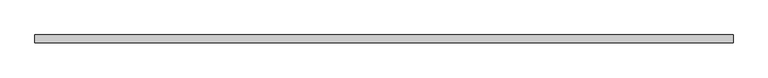
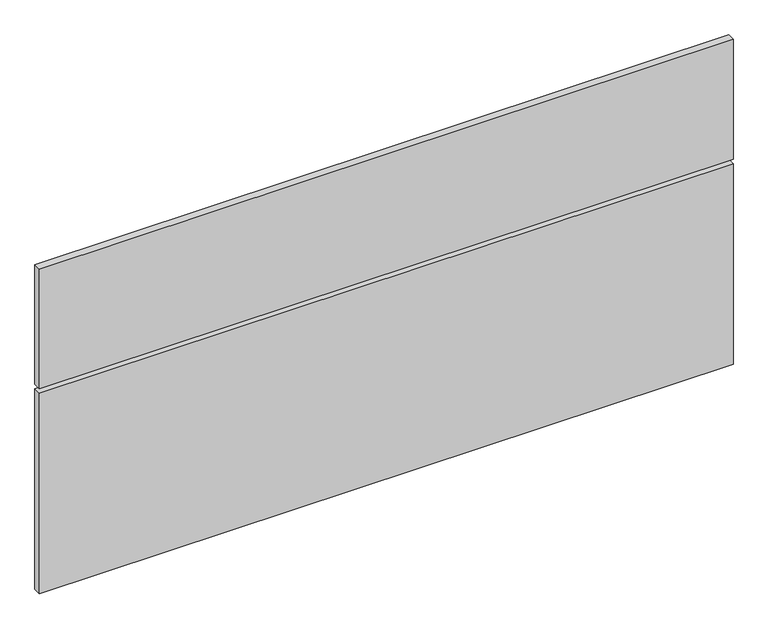
"""IFC4 building model written with IfcOpenShell, lengths in millimetres: furniture geometry."""

import ifcopenshell
import ifcopenshell.guid

model = None  # the IFC model being written
_history = None  # IfcOwnerHistory: only IFC2X3 demands one
_inside = {}  # id of a spatial element -> (the spatial element, [elements in it])
_under = {}  # id of a project, library or spatial element -> (it, [spatial elements below it])
_declared = {}  # id of a project -> (the project, [libraries it declares])
_typed = {}  # id of a type object -> (the type object, [elements of that type])
_made_of = {}  # id of a material, layer set ... -> (it, [elements and type objects made of it])


def new_model(schema):
    """Start an empty IFC model of exactly this schema.

    Asked for "IFC4X3", IfcOpenShell would pick the latest addendum, in which some entities
    have other attributes; the version numbers below select the first issue.
    IFC2X3 requires an IfcOwnerHistory on every rooted entity: one is made here for all.
    """
    global model, _history
    if schema == "IFC4X3":
        model = ifcopenshell.file(schema_version=(4, 3, 0, 0))
    else:
        model = ifcopenshell.file(schema=schema)
    _inside.clear()
    _under.clear()
    _declared.clear()
    _typed.clear()
    _made_of.clear()
    _history = None
    if model.schema == "IFC2X3":
        org = make("IfcOrganization", Name="unknown")
        user = make(
            "IfcPersonAndOrganization",
            ThePerson=make("IfcPerson", FamilyName="unknown"),
            TheOrganization=org,
        )
        app = make(
            "IfcApplication",
            ApplicationDeveloper=org,
            Version="unknown",
            ApplicationFullName="unknown",
            ApplicationIdentifier="unknown",
        )
        _history = make(
            "IfcOwnerHistory",
            OwningUser=user,
            OwningApplication=app,
            ChangeAction="ADDED",
            CreationDate=0,
        )
    return model


def make(cls, **values):
    """One entity of the class cls with the attributes given. An attribute that is None is left unset."""
    return model.create_entity(
        cls, **{name: value for name, value in values.items() if value is not None}
    )


def rooted(cls, **values):
    """An entity with a GlobalId (a new one), such as an element, a storey or a relation."""
    return make(cls, GlobalId=ifcopenshell.guid.new(), OwnerHistory=_history, **values)


def si_unit(unit_type, name, prefix=None):
    """IfcSIUnit, for example si_unit("LENGTHUNIT", "METRE", prefix="MILLI")."""
    return make("IfcSIUnit", UnitType=unit_type, Prefix=prefix, Name=name)


def assignment(units):
    """IfcUnitAssignment: the units of a project."""
    return None if units is None else make("IfcUnitAssignment", Units=units)


def point(xyz):
    """IfcCartesianPoint."""
    return None if xyz is None else make("IfcCartesianPoint", Coordinates=xyz)


def direction(xyz):
    """IfcDirection."""
    return None if xyz is None else make("IfcDirection", DirectionRatios=xyz)


def frame(location, z_axis=None, x_axis=None):
    """IfcAxis2Placement3D, a coordinate frame: its origin and axes. An axis left out is left unset."""
    return make(
        "IfcAxis2Placement3D",
        Location=point(location),
        Axis=direction(z_axis),
        RefDirection=direction(x_axis),
    )


def origin():
    """The frame at (0, 0, 0) with its axes left unset."""
    return frame((0.0, 0.0, 0.0))


def place(relative_to, where):
    """IfcLocalPlacement: puts the frame where relative to a parent placement (None: the world)."""
    return make(
        "IfcLocalPlacement", PlacementRelTo=relative_to, RelativePlacement=where
    )


def context(
    kind, dimensions, precision=None, world=None, true_north=None, identifier=None
):
    """IfcGeometricRepresentationContext, for example the 3D "Model" context."""
    return make(
        "IfcGeometricRepresentationContext",
        ContextIdentifier=identifier,
        ContextType=kind,
        CoordinateSpaceDimension=dimensions,
        Precision=precision,
        WorldCoordinateSystem=world,
        TrueNorth=true_north,
    )


def project(units=None, contexts=None):
    """IfcProject with its units and contexts."""
    return rooted(
        "IfcProject",
        Name="project",
        RepresentationContexts=contexts,
        UnitsInContext=assignment(units),
    )


def spatial(cls, under=None, at=None, **own):
    """A site, building, storey or space (cls), placed at a placement, below another one or the project."""
    s = rooted(cls, ObjectPlacement=at, **own)
    if under is not None:
        _under.setdefault(under.id(), (under, []))[1].append(s)
    return s


def polyline(points):
    """IfcPolyline through the points."""
    return make("IfcPolyline", Points=[point(p) for p in points])


def outline(outer, holes=None, kind="AREA"):
    """IfcArbitraryClosedProfileDef: a profile drawn as a closed curve; with holes, ...WithVoids."""
    if holes is None:
        return make("IfcArbitraryClosedProfileDef", ProfileType=kind, OuterCurve=outer)
    return make(
        "IfcArbitraryProfileDefWithVoids",
        ProfileType=kind,
        OuterCurve=outer,
        InnerCurves=holes,
    )


def extrude(swept, where, along, depth):
    """IfcExtrudedAreaSolid: the profile swept, set in the frame where, extruded along a direction by depth."""
    return make(
        "IfcExtrudedAreaSolid",
        SweptArea=swept,
        Position=where,
        ExtrudedDirection=direction(along),
        Depth=depth,
    )


def shape(context_of_items, identifier, shape_type, items):
    """IfcShapeRepresentation: the items that make up one representation, for example the "Body"."""
    return make(
        "IfcShapeRepresentation",
        ContextOfItems=context_of_items,
        RepresentationIdentifier=identifier,
        RepresentationType=shape_type,
        Items=items,
    )


def source(mapping_origin, context_of_items, identifier, shape_type, items):
    """IfcRepresentationMap: a shape defined once, which mapped items show again and again."""
    return make(
        "IfcRepresentationMap",
        MappingOrigin=mapping_origin,
        MappedRepresentation=shape(context_of_items, identifier, shape_type, items),
    )


def transform(
    local_origin,
    x_axis=None,
    y_axis=None,
    z_axis=None,
    scale=None,
    scale2=None,
    scale3=None,
    uniform=True,
):
    """IfcCartesianTransformationOperator3D, or its non-uniform kind. x_axis, y_axis, z_axis: its Axis1, 2, 3."""
    if uniform:
        return make(
            "IfcCartesianTransformationOperator3D",
            Axis1=direction(x_axis),
            Axis2=direction(y_axis),
            LocalOrigin=point(local_origin),
            Scale=scale,
            Axis3=direction(z_axis),
        )
    return make(
        "IfcCartesianTransformationOperator3DnonUniform",
        Axis1=direction(x_axis),
        Axis2=direction(y_axis),
        LocalOrigin=point(local_origin),
        Scale=scale,
        Axis3=direction(z_axis),
        Scale2=scale2,
        Scale3=scale3,
    )


def mapped(mapping_source, mapping_target):
    """IfcMappedItem: shows the shape of a source again, moved by a transform."""
    return make(
        "IfcMappedItem", MappingSource=mapping_source, MappingTarget=mapping_target
    )


def made_of(thing, what):
    """Note that an element or type object is made of a material, layer set ...; save() writes the relation."""
    if what is not None:
        _made_of.setdefault(what.id(), (what, []))[1].append(thing)
    return thing


def element(
    cls,
    number,
    at=None,
    inside=None,
    cuts=None,
    type_object=None,
    material=None,
    context=None,
    identifier="Body",
    shape_type=None,
    held_by="IfcProductDefinitionShape",
    body=None,
    shapes=None,
    **own,
):
    """One element of the class cls, such as IfcWall. Its Tag is "e" and its number.

    at: its placement. inside: the storey or other place that contains it. cuts: it is an
    opening in that element (IfcRelVoidsElement). A single representation is given by context,
    identifier, shape_type and body (its items); several are given by shapes. held_by: the class
    of the entity that holds the representations. save() writes the other relations.
    """
    e = rooted(cls, Tag="e%d" % number, ObjectPlacement=at, **own)
    if body is not None:
        shapes = [shape(context, identifier, shape_type, body)]
    if shapes is not None:
        e.Representation = make(held_by, Representations=shapes)
    if inside is not None:
        _inside.setdefault(inside.id(), (inside, []))[1].append(e)
    if cuts is not None:
        rooted(
            "IfcRelVoidsElement", RelatingBuildingElement=cuts, RelatedOpeningElement=e
        )
    if type_object is not None:
        _typed.setdefault(type_object.id(), (type_object, []))[1].append(e)
    return made_of(e, material)


def aggregate(whole, parts):
    """IfcRelAggregates: a whole, such as a stair, and the parts it consists of."""
    return rooted("IfcRelAggregates", RelatingObject=whole, RelatedObjects=parts)


def save(model, path):
    """Write the relations noted so far, then the file.

    IfcRelAggregates (storeys below a building ...), IfcRelContainedInSpatialStructure (elements
    in a storey), IfcRelDefinesByType, IfcRelAssociatesMaterial and IfcRelDeclares: one each for
    every whole, place, type object, material and project.
    """
    for whole, parts in _under.values():
        aggregate(whole, parts)
    for where, things in _inside.values():
        rooted(
            "IfcRelContainedInSpatialStructure",
            RelatedElements=things,
            RelatingStructure=where,
        )
    for kind, things in _typed.values():
        rooted("IfcRelDefinesByType", RelatedObjects=things, RelatingType=kind)
    for what, things in _made_of.values():
        rooted("IfcRelAssociatesMaterial", RelatedObjects=things, RelatingMaterial=what)
    for by, libraries in _declared.values():
        rooted("IfcRelDeclares", RelatingContext=by, RelatedDefinitions=libraries)
    model.write(path)


def furniture_8d80271d(model_context):
    return source(origin(), model_context, "Body", "SweptSolid", [
        extrude(outline(polyline([(1828.1994553, 23.9700054), (0.59944, 23.9700054), (0.59944, 44.5440062), (1828.1994553, 44.5440062), (1828.1994553, 23.9700054)])), frame((0.0, 0.0, 139.700003), z_axis=(0.0, 0.0, 1.0), x_axis=(1.0, 0.0, 0.0)), (0.0, 0.0, 1.0), 558.8000212),
        extrude(outline(polyline([(1828.1994553, 23.9700054), (0.59944, 23.9700054), (0.59944, 44.5440062), (1828.1994553, 44.5440062), (1828.1994553, 23.9700054)])), frame((0.0, 0.0, 711.1999758), z_axis=(0.0, 0.0, 1.0), x_axis=(1.0, 0.0, 0.0)), (0.0, 0.0, 1.0), 333.2000107),
    ])


if __name__ == "__main__":
    model = new_model("IFC4")
    model_context = context("Model", 3, world=origin())
    ifc_project = project(units=[si_unit("LENGTHUNIT", "METRE", prefix="MILLI")], contexts=[model_context])
    site = spatial("IfcSite", under=ifc_project)
    building = spatial("IfcBuilding", under=site)
    placement = place(None, origin())
    furniture_shape = furniture_8d80271d(model_context)
    element("IfcFurniture", 1, at=placement, inside=building, context=model_context, shape_type="MappedRepresentation", body=[
        mapped(furniture_shape, transform((0.0, 0.0, 0.0), x_axis=(1.0, 0.0, 0.0), y_axis=(0.0, 1.0, 0.0), z_axis=(0.0, 0.0, 1.0))),
    ])
    save(model, "model.ifc")
